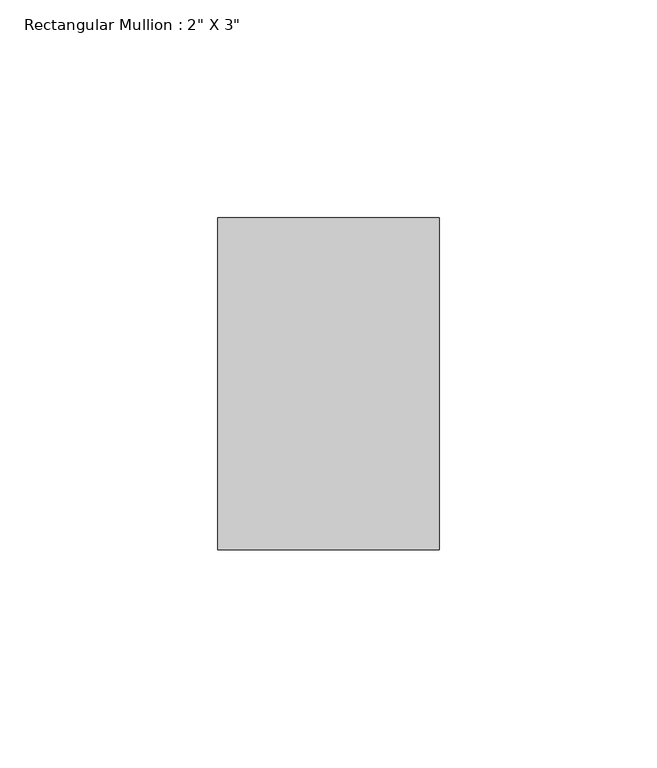
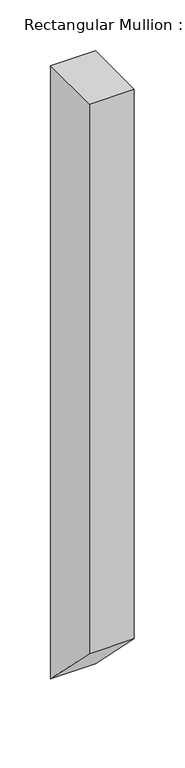
"""IFC4 building model written with IfcOpenShell, lengths in millimetres: member geometry."""

from ifc_helpers import new_model, si_unit, frame, origin, place, context, project, spatial, polyline, outline, extrude, source, transform, mapped, element, save


def member_8daede75(model_context):
    return source(origin(), model_context, "Body", "SweptSolid", [
        extrude(outline(polyline([(-12.7, 0.0), (63.5, 0.0), (63.5, -736.6), (-12.7, -660.4), (-12.7, 0.0)])), frame((-25.4, 0.0, 0.0), z_axis=(1.0, 0.0, 0.0), x_axis=(0.0, 1.0, 0.0)), (0.0, 0.0, 1.0), 50.8),
    ])


if __name__ == "__main__":
    model = new_model("IFC4")
    model_context = context("Model", 3, world=origin())
    ifc_project = project(units=[si_unit("LENGTHUNIT", "METRE", prefix="MILLI")], contexts=[model_context])
    site = spatial("IfcSite", under=ifc_project)
    building = spatial("IfcBuilding", under=site)
    placement = place(None, origin())
    member_shape = member_8daede75(model_context)
    element("IfcMember", 1, ObjectType="Rectangular Mullion : 2\" X 3\"", at=placement, inside=building, context=model_context, shape_type="MappedRepresentation", body=[
        mapped(member_shape, transform((0.0, 0.0, 0.0), x_axis=(1.0, 0.0, 0.0), y_axis=(0.0, 1.0, 0.0), z_axis=(0.0, 0.0, 1.0))),
    ])
    save(model, "model.ifc")
